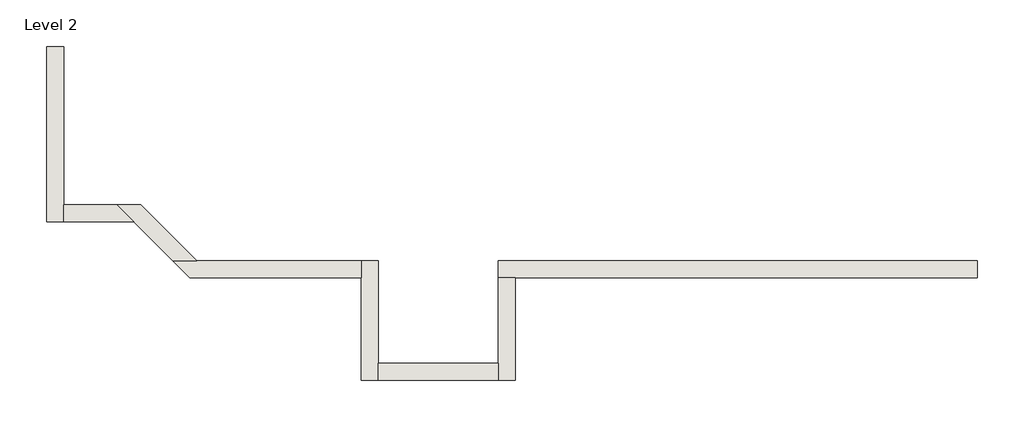
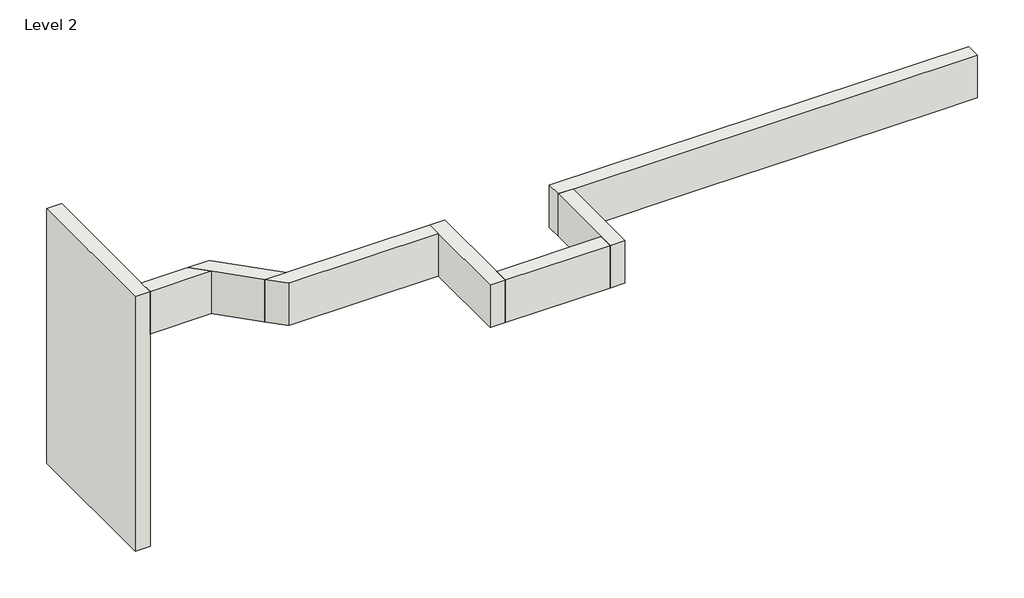
# One storey: 8 walls.
"""IFC4 building model written with IfcOpenShell, lengths in millimetres."""

from ifc_helpers import new_model, si_unit, frame, origin, place, context, project, spatial, polyline, outline, extrude, faceted_brep, element, save

model = new_model("IFC4")

# Units and contexts
model_context = context("Model", 3, world=origin())
ifc_project = project(units=[si_unit("LENGTHUNIT", "METRE", prefix="MILLI")], contexts=[model_context])

# Site, building, storey
site = spatial("IfcSite", under=ifc_project)
building = spatial("IfcBuilding", under=site)
storey = spatial("IfcBuildingStorey", under=building, Name="Level 2", Elevation=3048.0)

# Walls
placement = place(None, origin())
element("IfcWall", 1, ObjectType="Generic - 8\" Brick", at=placement, inside=storey, context=model_context, shape_type="Brep", body=[
    faceted_brep([(7315.157857, 1422.3976187, 3048.0), (6705.557857, 1422.3976187, 3048.0), (4876.757857, 1422.3976187, 3048.0), (3657.557857, 1422.3976187, 3048.0), (1625.5602383, 1422.3976187, 3048.0), (1625.5602383, 1422.3976187, 3657.6), (7315.157857, 1422.3976187, 3657.6), (7315.157857, 1219.1976187, 3048.0), (7315.157857, 1219.1976187, 3657.6), (1828.7602383, 1219.1976187, 3657.6), (1625.5602383, 1219.1976187, 3657.6), (1625.5602383, 1219.1976187, 3048.0), (1828.7602383, 1219.1976187, 3048.0), (3657.557857, 1219.1976187, 3048.0), (4876.757857, 1219.1976187, 3048.0), (6705.557857, 1219.1976187, 3048.0)], [[[0, 1, 2, 3, 4, 5, 6]], [[7, 8, 9, 10, 11, 12, 13, 14, 15]], [[4, 3, 2, 1, 0, 7, 15, 14, 13, 12, 11]], [[6, 5, 10, 9, 8]], [[0, 6, 8, 7]], [[5, 4, 11, 10]]]),
])
element("IfcWall", 2, ObjectType="Generic - 8\" Brick", at=placement, inside=storey, context=model_context, shape_type="Brep", body=[
    faceted_brep([(1625.5602383, 1219.1976187, 3048.0), (1625.5602383, 203.2, 3048.0), (1625.5602383, 0.0, 3048.0), (1625.5602383, 0.0, 3657.6), (1625.5602383, 203.2, 3657.6), (1625.5602383, 1219.1976187, 3657.6), (1828.7602383, 1219.1976187, 3048.0), (1828.7602383, 1219.1976187, 3657.6), (1828.7602383, 0.0, 3657.6), (1828.7602383, 0.0, 3048.0)], [[[0, 1, 2, 3, 4, 5]], [[6, 7, 8, 9]], [[2, 1, 0, 6, 9]], [[5, 4, 3, 8, 7]], [[0, 5, 7, 6]], [[3, 2, 9, 8]]]),
])
element("IfcWall", 3, ObjectType="Generic - 8\" Brick", at=placement, inside=storey, context=model_context, shape_type="SweptSolid", body=[
    extrude(outline(polyline([(203.157857, 203.2), (1625.5602383, 203.2), (1625.5602383, 0.0), (203.157857, 0.0), (203.157857, 203.2)])), frame((0.0, 0.0, 3048.0), z_axis=(0.0, 0.0, 1.0), x_axis=(1.0, 0.0, 0.0)), (0.0, 0.0, 1.0), 609.6),
])
element("IfcWall", 4, ObjectType="Generic - 8\" Brick", at=placement, inside=storey, context=model_context, shape_type="Brep", body=[
    faceted_brep([(203.157857, 0.0, 3048.0), (203.157857, 203.2, 3048.0), (203.157857, 1422.3976187, 3048.0), (203.157857, 1422.3976187, 3657.6), (203.157857, 203.2, 3657.6), (203.157857, 0.0, 3657.6), (-0.042143, 0.0, 3048.0), (-0.042143, 0.0, 3657.6), (-0.042143, 1219.1976187, 3657.6), (-0.042143, 1422.3976187, 3657.6), (-0.042143, 1422.3976187, 3048.0), (-0.042143, 1219.1976187, 3048.0)], [[[0, 1, 2, 3, 4, 5]], [[6, 7, 8, 9, 10, 11]], [[2, 1, 0, 6, 11, 10]], [[5, 4, 3, 9, 8, 7]], [[0, 5, 7, 6]], [[3, 2, 10, 9]]]),
])
element("IfcWall", 5, ObjectType="Generic - 8\" Brick", at=placement, inside=storey, context=model_context, shape_type="Brep", body=[
    faceted_brep([(-0.042143, 1422.3976187, 3048.0), (-1947.8398159, 1422.3976187, 3048.0), (-2235.2080117, 1422.3976187, 3048.0), (-2235.2080117, 1422.3976187, 3657.6), (-1947.8398159, 1422.3976187, 3657.6), (-0.042143, 1422.3976187, 3657.6), (-0.042143, 1219.1976187, 3048.0), (-0.042143, 1219.1976187, 3657.6), (-2032.0080117, 1219.1976187, 3657.6), (-2032.0080117, 1219.1976187, 3048.0)], [[[0, 1, 2, 3, 4, 5]], [[6, 7, 8, 9]], [[2, 1, 0, 6, 9]], [[5, 4, 3, 8, 7]], [[0, 5, 7, 6]], [[3, 2, 9, 8]]]),
])
element("IfcWall", 6, ObjectType="Generic - 8\" Brick", at=placement, inside=storey, context=model_context, shape_type="Brep", body=[
    faceted_brep([(-3528.7967472, 1882.5433702, 0.0), (-3528.7967472, 3962.36825, 0.0), (-3528.7967472, 3962.36825, 3657.6), (-3528.7967472, 2085.7433702, 3657.6), (-3528.7967472, 1882.5433702, 3657.6), (-3528.7967472, 1882.5433702, 3048.0), (-3731.9967472, 1882.5433702, 0.0), (-3731.9967472, 1882.5433702, 3657.6), (-3731.9967472, 3962.36825, 3657.6), (-3731.9967472, 3962.36825, 0.0)], [[[0, 1, 2, 3, 4, 5]], [[6, 7, 8, 9]], [[1, 0, 6, 9]], [[2, 1, 9, 8]], [[4, 3, 2, 8, 7]], [[0, 5, 4, 7, 6]]]),
])
element("IfcWall", 7, ObjectType="Generic - 8\" Brick", at=placement, inside=storey, context=model_context, shape_type="Brep", body=[
    faceted_brep([(-1947.8398159, 1422.3976187, 3048.0), (-2611.1855673, 2085.7433702, 3048.0), (-2611.1855673, 2085.7433702, 3657.6), (-1947.8398159, 1422.3976187, 3657.6), (-2235.2080117, 1422.3976187, 3048.0), (-2235.2080117, 1422.3976187, 3657.6), (-2695.3537631, 1882.5433702, 3657.6), (-2898.5537631, 2085.7433702, 3657.6), (-2898.5537631, 2085.7433702, 3048.0), (-2695.3537631, 1882.5433702, 3048.0)], [[[0, 1, 2, 3]], [[4, 5, 6, 7, 8, 9]], [[1, 0, 4, 9, 8]], [[3, 2, 7, 6, 5]], [[2, 1, 8, 7]], [[0, 3, 5, 4]]]),
])
element("IfcWall", 8, ObjectType="Generic - 8\" Brick", at=placement, inside=storey, context=model_context, shape_type="SweptSolid", body=[
    extrude(outline(polyline([(-3528.7967472, 2085.7433702), (-2898.5537631, 2085.7433702), (-2695.3537631, 1882.5433702), (-3528.7967472, 1882.5433702), (-3528.7967472, 2085.7433702)])), frame((0.0, 0.0, 3048.0), z_axis=(0.0, 0.0, 1.0), x_axis=(1.0, 0.0, 0.0)), (0.0, 0.0, 1.0), 609.6),
])

save(model, "model.ifc")
